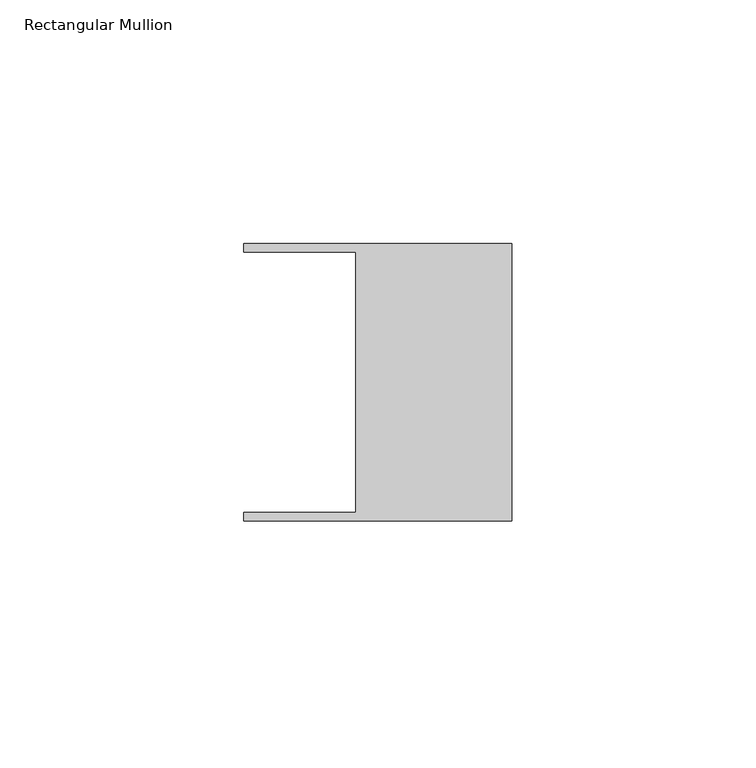
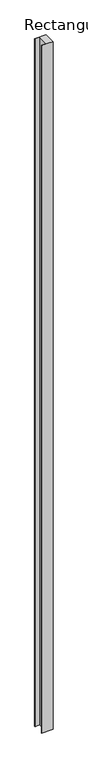
"""IFC4 building model written with IfcOpenShell, lengths in millimetres: member geometry, Rectangular Mullion."""

from ifc_helpers import new_model, si_unit, frame, origin, place, context, project, spatial, polyline, outline, extrude, source, transform, mapped, element, save


def rectangular_mullion_cd329561(model_context):
    return source(origin(), model_context, "Body", "SweptSolid", [
        extrude(outline(polyline([(-32.004, -26.67), (-32.004, 26.67), (-54.991, 26.67), (-54.991, 28.448), (0.0, 28.448), (0.0, -28.448), (-54.991, -28.448), (-54.991, -26.67), (-32.004, -26.67)])), frame((0.0, 0.0, -3500.4375904), z_axis=(0.0, 0.0, 1.0), x_axis=(1.0, 0.0, 0.0)), (0.0, 0.0, 1.0), 3500.4375904),
    ])


if __name__ == "__main__":
    model = new_model("IFC4")
    model_context = context("Model", 3, world=origin())
    ifc_project = project(units=[si_unit("LENGTHUNIT", "METRE", prefix="MILLI")], contexts=[model_context])
    site = spatial("IfcSite", under=ifc_project)
    building = spatial("IfcBuilding", under=site)
    placement = place(None, origin())
    rectangular_mullion_shape = rectangular_mullion_cd329561(model_context)
    element("IfcMember", 1, ObjectType="Rectangular Mullion", at=placement, inside=building, context=model_context, shape_type="MappedRepresentation", body=[
        mapped(rectangular_mullion_shape, transform((0.0, 0.0, 0.0), x_axis=(1.0, 0.0, 0.0), y_axis=(0.0, 1.0, 0.0), z_axis=(0.0, 0.0, 1.0))),
    ])
    save(model, "model.ifc")
